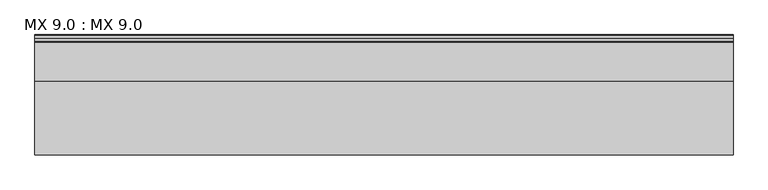
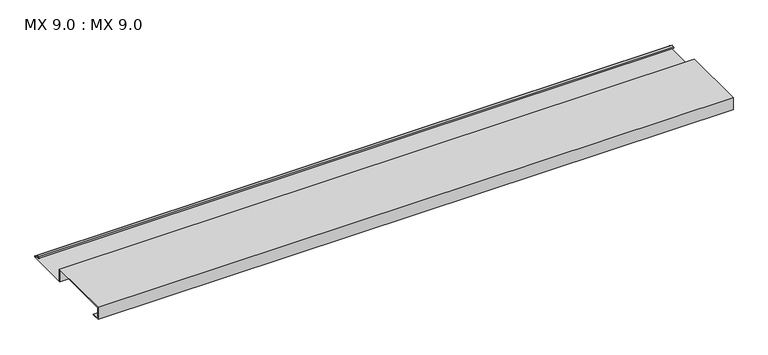
"""IFC4 building model written with IfcOpenShell, lengths in millimetres: proxy geometry, MX 9.0 : MX 9.0."""

from ifc_helpers import new_model, si_unit, point, frame, frame_2d, origin, place, context, project, spatial, polyline, circle_curve, trimmed, segment, composite_curve, outline, extrude, source, transform, mapped, element, save


def mx_9_0_mx_9_0_32ae5e04(model_context):
    return source(origin(), model_context, "Body", "SweptSolid", [
        extrude(outline(composite_curve([segment(polyline([(0.0, 0.0), (0.0, 38.0), (200.0, 38.0), (200.0, 0.0), (325.0510156, 0.0)]), True, "CONTINUOUS"), segment(trimmed(circle_curve(frame_2d((324.3094696, 1.9153551)), 2.0538928), [point((325.0510156, 0.0))], [point((325.1748462, 3.778041))], True, "CARTESIAN"), True, "CONTINUOUS"), segment(polyline([(325.1748462, 3.778041), (308.7874714, 6.923107)]), True, "CONTINUOUS"), segment(trimmed(circle_curve(frame_2d((309.4078886, 8.6005442)), 1.7884947), [point((308.7874714, 6.923107))], [point((308.9525789, 10.3301125))], False, "CARTESIAN"), True, "CONTINUOUS"), segment(polyline([(308.9525789, 10.3301125), (316.459338, 11.6715995), (316.635255, 10.6871945), (309.1762081, 9.3542338)]), True, "CONTINUOUS"), segment(trimmed(circle_curve(frame_2d((309.4078886, 8.6005442)), 0.7884947), [point((309.1762081, 9.3542338))], [point((309.0735117, 7.8864603))], True, "CARTESIAN"), True, "CONTINUOUS"), segment(polyline([(309.0735117, 7.8864603), (325.4722719, 4.7392091)]), True, "CONTINUOUS"), segment(trimmed(circle_curve(frame_2d((324.3094696, 1.9153551)), 3.0538928), [point((325.4722719, 4.7392091))], [point((325.2188462, -1.0))], False, "CARTESIAN"), True, "CONTINUOUS"), segment(polyline([(325.2188462, -1.0), (199.0, -1.0), (199.0, 37.0), (1.0, 37.0), (1.0, 1.0), (25.0, 1.0), (25.0, 0.0), (0.0, 0.0)]), True, "CONTINUOUS")], self_intersect=False)), frame((0.0, 0.0, 0.0), z_axis=(1.0, 0.0, 0.0), x_axis=(0.0, 1.0, 0.0)), (0.0, 0.0, 1.0), 1900.0),
    ])


if __name__ == "__main__":
    model = new_model("IFC4")
    model_context = context("Model", 3, world=origin())
    ifc_project = project(units=[si_unit("LENGTHUNIT", "METRE", prefix="MILLI")], contexts=[model_context])
    site = spatial("IfcSite", under=ifc_project)
    building = spatial("IfcBuilding", under=site)
    placement = place(None, origin())
    mx_9_0_mx_9_0_shape = mx_9_0_mx_9_0_32ae5e04(model_context)
    element("IfcBuildingElementProxy", 1, Name="MX 9.0 : MX 9.0", ObjectType="MX 9.0 : MX 9.0", at=placement, inside=building, context=model_context, shape_type="MappedRepresentation", body=[
        mapped(mx_9_0_mx_9_0_shape, transform((0.0, 0.0, 0.0), x_axis=(1.0, 0.0, 0.0), y_axis=(0.0, 1.0, 0.0), z_axis=(0.0, 0.0, 1.0))),
    ])
    save(model, "model.ifc")
